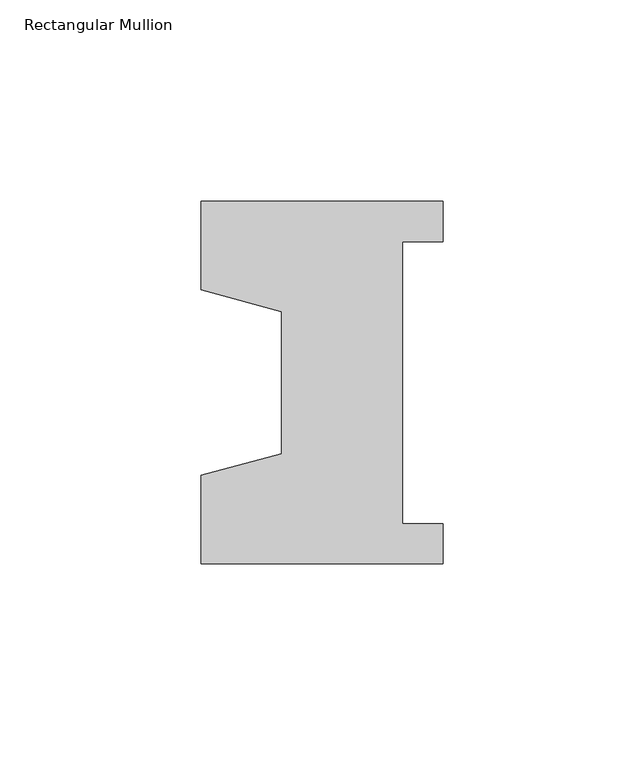
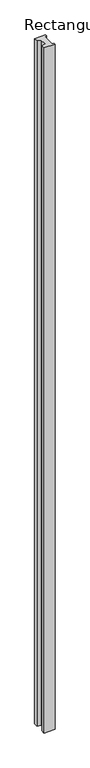
"""IFC4 building model written with IfcOpenShell, lengths in millimetres: member geometry, Rectangular Mullion."""

from ifc_helpers import new_model, si_unit, frame, origin, place, context, project, spatial, polyline, outline, extrude, source, transform, mapped, element, save


def rectangular_mullion_c249ac63(model_context):
    return source(origin(), model_context, "Body", "SweptSolid", [
        extrude(outline(polyline([(-60.0, 45.0), (0.0, 45.0), (0.0, 35.0), (-10.0, 35.0), (-10.0, -35.0), (0.0, -35.0), (0.0, -45.0), (-60.0, -45.0), (-60.0, -22.9993165), (-40.0, -17.6401049), (-40.0, 17.6401049), (-60.0, 22.9993165), (-60.0, 45.0)])), frame((0.0, 0.0, -4000.0), z_axis=(0.0, 0.0, 1.0), x_axis=(1.0, 0.0, 0.0)), (0.0, 0.0, 1.0), 4000.0),
    ])


if __name__ == "__main__":
    model = new_model("IFC4")
    model_context = context("Model", 3, world=origin())
    ifc_project = project(units=[si_unit("LENGTHUNIT", "METRE", prefix="MILLI")], contexts=[model_context])
    site = spatial("IfcSite", under=ifc_project)
    building = spatial("IfcBuilding", under=site)
    placement = place(None, origin())
    rectangular_mullion_shape = rectangular_mullion_c249ac63(model_context)
    element("IfcMember", 1, ObjectType="Rectangular Mullion", at=placement, inside=building, context=model_context, shape_type="MappedRepresentation", body=[
        mapped(rectangular_mullion_shape, transform((0.0, 0.0, 0.0), x_axis=(1.0, 0.0, 0.0), y_axis=(0.0, 1.0, 0.0), z_axis=(0.0, 0.0, 1.0))),
    ])
    save(model, "model.ifc")
